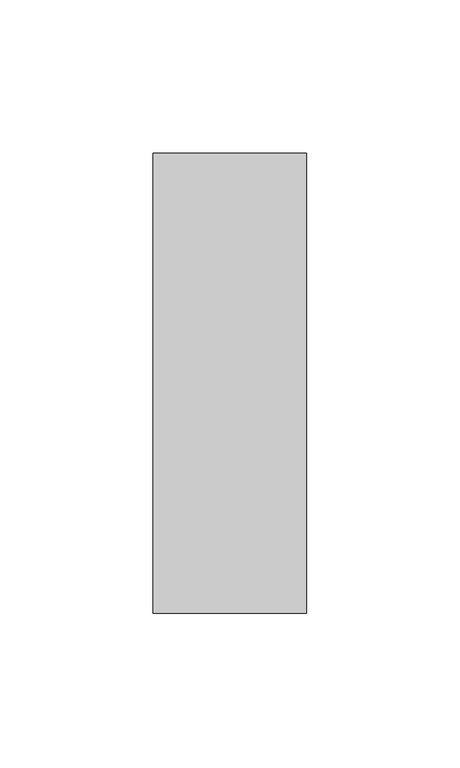
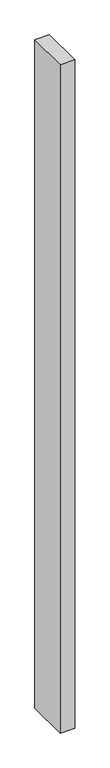
"""IFC4 building model written with IfcOpenShell, lengths in millimetres: member geometry."""

from ifc_helpers import new_model, si_unit, frame, origin, place, context, project, spatial, polyline, outline, extrude, source, transform, mapped, element, save


def member_6e50c603(model_context):
    return source(origin(), model_context, "Body", "SweptSolid", [
        extrude(outline(polyline([(0.0, 75.0), (0.0, -75.0), (-50.0, -75.0), (-50.0, 75.0), (0.0, 75.0)])), frame((0.0, 0.0, -2428.4429218), z_axis=(0.0, 0.0, 1.0), x_axis=(1.0, 0.0, 0.0)), (0.0, 0.0, 1.0), 2428.4429218),
    ])


if __name__ == "__main__":
    model = new_model("IFC4")
    model_context = context("Model", 3, world=origin())
    ifc_project = project(units=[si_unit("LENGTHUNIT", "METRE", prefix="MILLI")], contexts=[model_context])
    site = spatial("IfcSite", under=ifc_project)
    building = spatial("IfcBuilding", under=site)
    placement = place(None, origin())
    member_shape = member_6e50c603(model_context)
    element("IfcMember", 1, at=placement, inside=building, context=model_context, shape_type="MappedRepresentation", body=[
        mapped(member_shape, transform((0.0, 0.0, 0.0), x_axis=(1.0, 0.0, 0.0), y_axis=(0.0, 1.0, 0.0), z_axis=(0.0, 0.0, 1.0))),
    ])
    save(model, "model.ifc")
